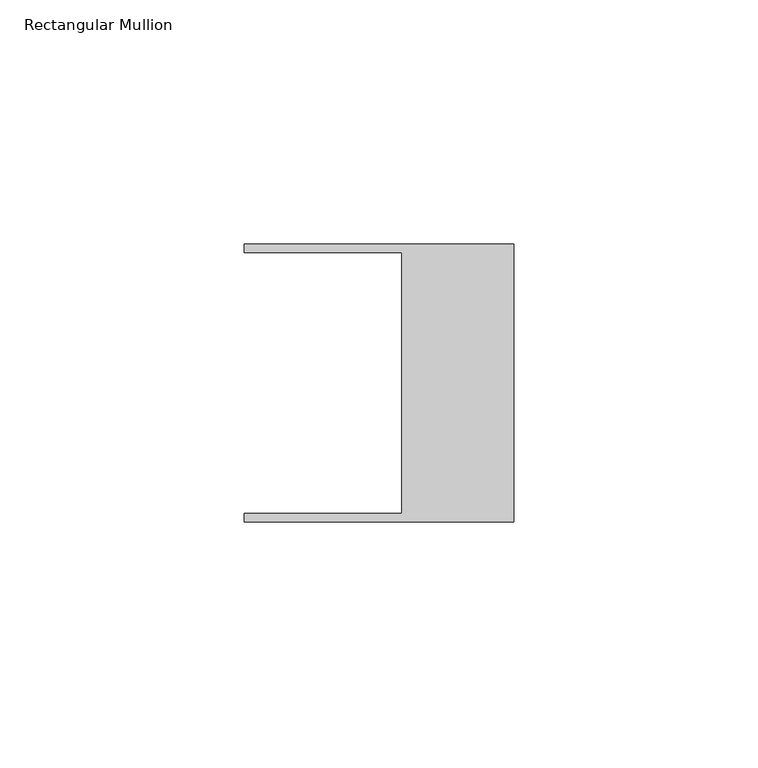
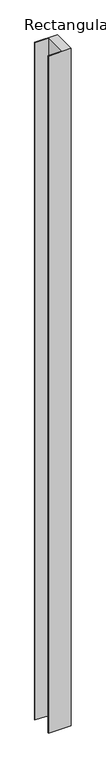
"""IFC4 building model written with IfcOpenShell, lengths in millimetres: member geometry, Rectangular Mullion."""

from ifc_helpers import new_model, si_unit, frame, origin, place, context, project, spatial, polyline, outline, extrude, source, transform, mapped, element, save


def rectangular_mullion_24b627b8(model_context):
    return source(origin(), model_context, "Body", "SweptSolid", [
        extrude(outline(polyline([(-55.118, 26.67), (-55.118, 28.448), (0.0, 28.448), (0.0, -28.448), (-55.118, -28.448), (-55.118, -26.67), (-22.86, -26.67), (-22.86, 26.67), (-55.118, 26.67)])), frame((0.0, 0.0, -1721.5169715), z_axis=(0.0, 0.0, 1.0), x_axis=(1.0, 0.0, 0.0)), (0.0, 0.0, 1.0), 1721.5169715),
    ])


if __name__ == "__main__":
    model = new_model("IFC4")
    model_context = context("Model", 3, world=origin())
    ifc_project = project(units=[si_unit("LENGTHUNIT", "METRE", prefix="MILLI")], contexts=[model_context])
    site = spatial("IfcSite", under=ifc_project)
    building = spatial("IfcBuilding", under=site)
    placement = place(None, origin())
    rectangular_mullion_shape = rectangular_mullion_24b627b8(model_context)
    element("IfcMember", 1, ObjectType="Rectangular Mullion", at=placement, inside=building, context=model_context, shape_type="MappedRepresentation", body=[
        mapped(rectangular_mullion_shape, transform((0.0, 0.0, 0.0), x_axis=(1.0, 0.0, 0.0), y_axis=(0.0, 1.0, 0.0), z_axis=(0.0, 0.0, 1.0))),
    ])
    save(model, "model.ifc")
